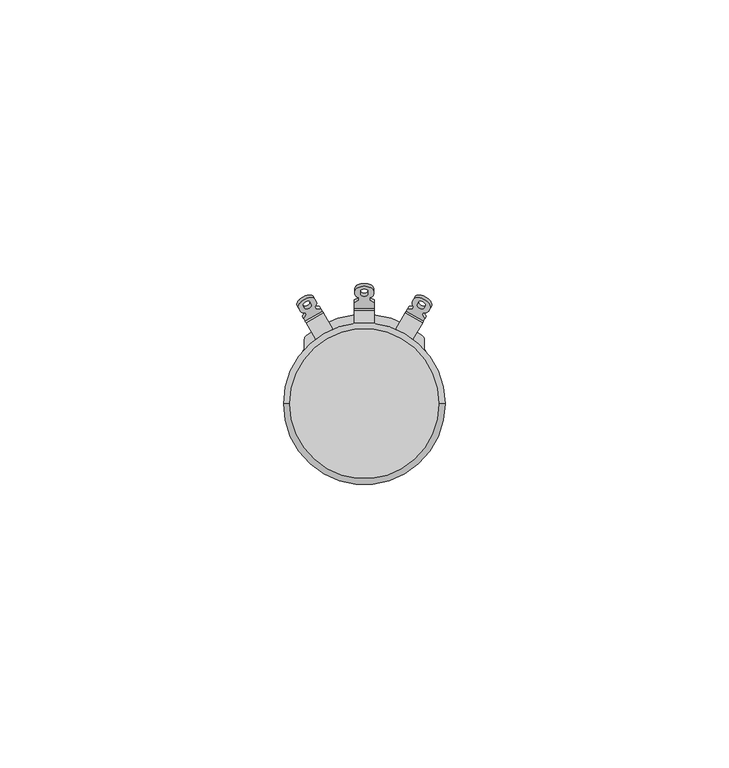
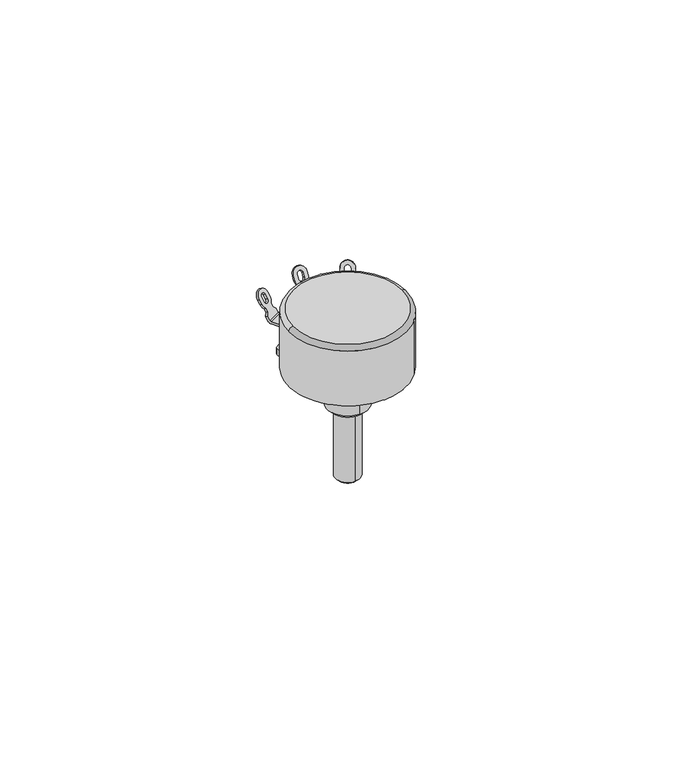
"""IFC4 building model written with IfcOpenShell, lengths in millimetres: proxy geometry."""

from ifc_helpers import new_model, si_unit, point, frame, origin, place, context, project, spatial, polyline, circle_curve, ellipse_curve, trimmed, source, transform, mapped, element, save
from ifc_brep_helpers import plane_surface, cylinder_surface, revolved_surface, advanced_brep


def generic_models_053cc2b0(model_context):
    return source(origin(), model_context, "Body", "AdvancedBrep", [
        advanced_brep(
        [(0.0, 4.95, -9.15), (0.0, 4.1, -10.0), (0.0, -4.1, -10.0), (0.0, -4.95, -9.15), (0.0, 4.95, -1.85), (0.0, -4.95, -1.85), (0.0, 4.1, -1.0), (0.0, -4.1, -1.0), (0.0, 4.1, 0.0), (0.0, -4.1, 0.0), (14.25, 0.0, 14.0), (13.25, 0.0, 15.0), (-13.25, 0.0, 15.0), (-14.25, 0.0, 14.0), (10.6, -9.523786, 14.0), (-10.6, 9.523786, 14.0), (-10.6, 9.523786, 1.5), (-10.8393443, 9.2504657, 1.5), (-10.8393443, 9.2504657, 0.0), (10.6, -9.523786, 0.0), (0.0, 3.0, -10.0), (0.0, 3.0, -27.5), (0.0, -3.0, -27.5), (0.0, -3.0, -10.0), (0.0, -2.5, -28.0), (0.0, 2.5, -28.0), (-10.4387495, 14.5804446, 6.7), (-7.4076606, 16.3304446, 6.7), (-7.6458612, 16.7430201, 7.5251511), (-8.4828803, 16.6927797, 8.1746702), (-8.7047702, 17.0771042, 8.9433193), (-8.4699638, 17.9704076, 10.0799261), (-8.7449638, 18.4467216, 11.032554), (-11.6028476, 16.7967216, 11.032554), (-11.3278476, 16.3204076, 10.0799261), (-10.436821, 16.0771042, 8.9433193), (-10.2149311, 15.6927797, 8.1746702), (-10.6769501, 14.9930201, 7.5251511), (-9.3359892, 17.4704076, 10.0799261), (-10.4618222, 16.8204076, 10.0799261), (-10.7368222, 17.2967216, 11.032554), (-9.6109892, 17.9467216, 11.032554), (-10.6985572, 15.0304446, 6.4), (-7.6674682, 16.7804446, 6.4), (-7.2344555, 16.0304446, 5.9), (-10.2655445, 14.2804446, 5.9), (-7.9056689, 17.1930201, 7.2251511), (-7.2344555, 16.0304446, 6.5), (-5.5555234, 13.1224487, 6.5), (-5.5555234, 13.1224487, 5.9), (-10.9367578, 15.4430201, 7.2251511), (-8.5866123, 11.3724487, 5.9), (-8.5866123, 11.3724487, 6.5), (-10.2655445, 14.2804446, 6.5), (7.4076606, 16.3304446, 6.7), (10.4387495, 14.5804446, 6.7), (10.6769501, 14.9930201, 7.5251511), (10.2149311, 15.6927797, 8.1746702), (10.436821, 16.0771042, 8.9433193), (11.3278476, 16.3204076, 10.0799261), (11.6028476, 16.7967216, 11.032554), (8.7449638, 18.4467216, 11.032554), (8.4699638, 17.9704076, 10.0799261), (8.7047702, 17.0771042, 8.9433193), (8.4828803, 16.6927797, 8.1746702), (7.6458612, 16.7430201, 7.5251511), (10.4618222, 16.8204076, 10.0799261), (9.3359892, 17.4704076, 10.0799261), (9.6109892, 17.9467216, 11.032554), (10.7368222, 17.2967216, 11.032554), (7.6674682, 16.7804446, 6.4), (10.6985572, 15.0304446, 6.4), (10.2655445, 14.2804446, 5.9), (7.2344555, 16.0304446, 5.9), (10.9367578, 15.4430201, 7.2251511), (10.2655445, 14.2804446, 6.5), (8.5866123, 11.3724487, 6.5), (8.5866123, 11.3724487, 5.9), (7.9056689, 17.1930201, 7.2251511), (5.5555234, 13.1224487, 5.9), (5.5555234, 13.1224487, 6.5), (7.2344555, 16.0304446, 6.5), (-1.75, 16.8464102, 6.7), (1.75, 16.8464102, 6.7), (1.75, 17.8228114, 8.3911765), (1.0, 18.1978114, 9.0406956), (1.0, 18.6415911, 9.8093447), (1.65, 19.2978114, 10.9459515), (1.65, 19.8478114, 11.8985794), (-1.65, 19.8478114, 11.8985794), (-1.65, 19.2978114, 10.9459515), (-1.0, 18.6415911, 9.8093447), (-1.0, 18.1978114, 9.0406956), (-1.75, 17.8228114, 8.3911765), (0.65, 19.2978114, 10.9459515), (-0.65, 19.2978114, 10.9459515), (-0.65, 19.8478114, 11.8985794), (0.65, 19.8478114, 11.8985794), (-1.75, 17.3660254, 6.4), (1.75, 17.3660254, 6.4), (1.75, 16.5, 5.9), (-1.75, 16.5, 5.9), (1.75, 18.3424266, 8.0911765), (1.75, 16.5, 6.5), (1.75, 14.1421356, 6.5), (1.75, 14.1421356, 5.9), (-1.75, 18.3424266, 8.0911765), (-1.75, 14.1421356, 5.9), (-1.75, 14.1421356, 6.5), (-1.75, 16.5, 6.5), (8.7426879, 17.1427797, 7.8746702), (8.9645778, 17.5271042, 8.6433193), (8.7297714, 18.4204076, 9.7799261), (9.0047714, 18.8967216, 10.732554), (11.8626552, 17.2467216, 10.732554), (11.5876552, 16.7704076, 9.7799261), (10.6966286, 16.5271042, 8.6433193), (10.4747387, 16.1427797, 7.8746702), (9.5957968, 17.9204076, 9.7799261), (10.7216298, 17.2704076, 9.7799261), (10.9966298, 17.7467216, 10.732554), (9.8707968, 18.3967216, 10.732554), (-10.4747387, 16.1427797, 7.8746702), (-10.6966286, 16.5271042, 8.6433193), (-11.5876552, 16.7704076, 9.7799261), (-11.8626552, 17.2467216, 10.732554), (-9.0047714, 18.8967216, 10.732554), (-8.7297714, 18.4204076, 9.7799261), (-8.9645778, 17.5271042, 8.6433193), (-8.7426879, 17.1427797, 7.8746702), (-10.7216298, 17.2704076, 9.7799261), (-9.5957968, 17.9204076, 9.7799261), (-9.8707968, 18.3967216, 10.732554), (-10.9966298, 17.7467216, 10.732554), (-1.0, 18.7174266, 8.7406956), (-1.0, 19.1612064, 9.5093447), (-1.65, 19.8174266, 10.6459515), (-1.65, 20.3674266, 11.5985794), (1.65, 20.3674266, 11.5985794), (1.65, 19.8174266, 10.6459515), (1.0, 19.1612064, 9.5093447), (1.0, 18.7174266, 8.7406956), (-0.65, 19.8174266, 10.6459515), (0.65, 19.8174266, 10.6459515), (0.65, 20.3674266, 11.5985794), (-0.65, 20.3674266, 11.5985794), (-10.6, 9.8996212, 1.5), (-10.6, 9.8996212, 0.0), (-10.6, 11.1983258, 1.5), (-10.6, 11.1983258, 0.0), (10.6, 9.8996212, 1.5), (10.8393443, 9.2504657, 1.5), (10.8393443, 9.2504657, 0.0), (10.6, 9.8996212, 0.0), (10.6, 11.1983258, 0.0), (10.2508475, 11.9575343, 0.0), (10.2508475, 11.9575343, 1.5), (10.6, 11.1983258, 1.5), (-10.2508475, 11.9575343, 1.5), (-10.2508475, 11.9575343, 0.0)],
        [
            (0, 1),
            (1, 2, circle_curve(frame((0.0, 0.0, -10.0), z_axis=(0.0, 0.0, 1.0), x_axis=(0.0, -1.0, 0.0)), 4.1)),
            (2, 3),
            (3, 0, circle_curve(frame((0.0, 0.0, -9.15), z_axis=(0.0, 0.0, -1.0), x_axis=(0.0, -1.0, 0.0)), 4.95)),
            (4, 0),
            (3, 5),
            (5, 4, circle_curve(frame((0.0, 0.0, -1.85), z_axis=(0.0, 0.0, -1.0), x_axis=(0.0, 1.0, 0.0)), 4.95)),
            (6, 4),
            (5, 7),
            (7, 6, circle_curve(frame((0.0, 0.0, -1.0), z_axis=(0.0, 0.0, -1.0), x_axis=(0.0, -1.0, 0.0)), 4.1)),
            (8, 6),
            (7, 9),
            (9, 8, circle_curve(frame((0.0, 0.0, 0.0), z_axis=(0.0, 0.0, -1.0), x_axis=(0.0, 1.0, 0.0)), 4.1)),
            (10, 11, circle_curve(frame((13.25, 0.0, 14.0), z_axis=(0.0, -1.0, 0.0), x_axis=(1.0, 0.0, 0.0)), 1.0)),
            (11, 12, circle_curve(frame((0.0, 0.0, 15.0), z_axis=(0.0, 0.0, -1.0), x_axis=(-1.0, 0.0, 0.0)), 13.25)),
            (12, 13, circle_curve(frame((-13.25, 0.0, 14.0), z_axis=(0.0, -1.0, 0.0), x_axis=(-1.0, 0.0, 0.0)), 1.0)),
            (13, 14, circle_curve(frame((0.0, 0.0, 14.0), z_axis=(0.0, 0.0, 1.0), x_axis=(-1.0, 0.0, 0.0)), 14.25)),
            (14, 10, circle_curve(frame((0.0, 0.0, 14.0), z_axis=(0.0, 0.0, 1.0), x_axis=(-1.0, 0.0, 0.0)), 14.25)),
            (15, 16),
            (16, 17, circle_curve(frame((0.0, 0.0, 1.5), z_axis=(0.0, 0.0, 1.0), x_axis=(-0.7438596491228071, 0.6683358604825079, 0.0)), 14.25)),
            (17, 18),
            (18, 19, circle_curve(frame((0.0, 0.0, 0.0), z_axis=(0.0, 0.0, 1.0), x_axis=(-0.7438596491228071, 0.6683358604825079, 0.0)), 14.25)),
            (19, 14),
            (13, 15, circle_curve(frame((0.0, 0.0, 14.0), z_axis=(0.0, 0.0, -1.0), x_axis=(-0.7438596491228071, 0.6683358604825079, 0.0)), 14.25)),
            (20, 21),
            (21, 22, circle_curve(frame((0.0, 0.0, -27.5), z_axis=(0.0, 0.0, 1.0), x_axis=(0.0, 1.0, 0.0)), 3.0)),
            (22, 23),
            (23, 20, circle_curve(frame((0.0, 0.0, -10.0), z_axis=(0.0, 0.0, -1.0), x_axis=(0.0, 1.0, 0.0)), 3.0)),
            (22, 24),
            (24, 25, circle_curve(frame((0.0, 0.0, -28.0), z_axis=(0.0, 0.0, 1.0), x_axis=(0.0, 1.0, 0.0)), 2.5)),
            (25, 21),
            (21, 22, circle_curve(frame((0.0, 0.0, -27.5), z_axis=(0.0, 0.0, -1.0), x_axis=(0.0, 1.0, 0.0)), 3.0)),
            (25, 24, circle_curve(frame((0.0, 0.0, -28.0), z_axis=(0.0, 0.0, 1.0), x_axis=(0.0, -1.0, 0.0)), 2.5)),
            (20, 23, circle_curve(frame((0.0, 0.0, -10.0), z_axis=(0.0, 0.0, -1.0), x_axis=(0.0, 1.0, 0.0)), 3.0)),
            (26, 27),
            (27, 28),
            (28, 29),
            (29, 30),
            (30, 31, circle_curve(frame((-9.8989057, 17.1454076, 10.0799261), z_axis=(0.43301270189221847, -0.7499999999999997, 0.5000000000000012), x_axis=(0.8660254037844388, 0.49999999999999967, 0.0)), 1.65)),
            (31, 32),
            (32, 33, circle_curve(frame((-10.1739057, 17.6217216, 11.032554), z_axis=(0.43301270189221847, -0.7499999999999997, 0.5000000000000012), x_axis=(-0.8660254037844388, -0.49999999999999967, 0.0)), 1.65)),
            (33, 34),
            (34, 35, circle_curve(frame((-9.8989057, 17.1454076, 10.0799261), z_axis=(0.4330127018922186, -0.7499999999999997, 0.5000000000000012), x_axis=(-0.3260092636813756, -0.6474566036869491, -0.6888526013132913)), 1.65)),
            (35, 36),
            (36, 37),
            (37, 26),
            (38, 39, circle_curve(frame((-9.8989057, 17.1454076, 10.0799261), z_axis=(-0.4330127018922186, 0.7499999999999997, -0.5000000000000012), x_axis=(0.8660254037844388, 0.4999999999999997, 0.0)), 0.65)),
            (39, 40),
            (40, 41, circle_curve(frame((-10.1739057, 17.6217216, 11.032554), z_axis=(-0.4330127018922186, 0.7499999999999997, -0.5000000000000012), x_axis=(-0.8660254037844388, -0.4999999999999997, 0.0)), 0.65)),
            (41, 38),
            (42, 43),
            (43, 44, circle_curve(frame((-7.2344555, 16.0304446, 6.9), z_axis=(-0.866025403784439, -0.4999999999999995, 0.0), x_axis=(0.0, 0.0, -1.0)), 1.0)),
            (44, 45),
            (45, 42, circle_curve(frame((-10.2655445, 14.2804446, 6.9), z_axis=(0.866025403784439, 0.4999999999999995, 0.0), x_axis=(0.0, 0.0, -1.0)), 1.0)),
            (43, 46),
            (46, 28),
            (27, 47, circle_curve(frame((-7.2344555, 16.0304446, 6.9), z_axis=(-0.866025403784439, -0.4999999999999995, 0.0), x_axis=(0.0, 0.0, -1.0)), 0.4)),
            (47, 48),
            (48, 49),
            (49, 44),
            (37, 50),
            (50, 42),
            (45, 51),
            (51, 52),
            (52, 53),
            (53, 26, circle_curve(frame((-10.2655445, 14.2804446, 6.9), z_axis=(0.866025403784439, 0.4999999999999995, 0.0), x_axis=(0.0, 0.0, -1.0)), 0.4)),
            (49, 51, circle_curve(frame((0.0, 0.0, 5.9), z_axis=(0.0, 0.0, 1.0), x_axis=(-0.7438596491228071, 0.6683358604825079, 0.0)), 14.25)),
            (53, 47),
            (54, 55),
            (55, 56),
            (56, 57),
            (57, 58),
            (58, 59, circle_curve(frame((9.8989057, 17.1454076, 10.0799261), z_axis=(-0.43301270189221897, -0.7499999999999996, 0.5000000000000011), x_axis=(0.8660254037844387, -0.5, 0.0)), 1.65)),
            (59, 60),
            (60, 61, circle_curve(frame((10.1739057, 17.6217216, 11.032554), z_axis=(-0.43301270189221897, -0.7499999999999996, 0.5000000000000011), x_axis=(-0.8660254037844387, 0.5, 0.0)), 1.65)),
            (61, 62),
            (62, 63, circle_curve(frame((9.8989057, 17.1454076, 10.0799261), z_axis=(-0.43301270189221897, -0.7499999999999994, 0.5000000000000011), x_axis=(-0.7237184984815795, -0.0413959976263437, -0.688852601313291)), 1.65)),
            (63, 64),
            (64, 65),
            (65, 54),
            (66, 67, circle_curve(frame((9.8989057, 17.1454076, 10.0799261), z_axis=(0.4330127018922191, 0.7499999999999993, -0.5000000000000012), x_axis=(0.8660254037844385, -0.5, 0.0)), 0.65)),
            (67, 68),
            (68, 69, circle_curve(frame((10.1739057, 17.6217216, 11.032554), z_axis=(0.4330127018922191, 0.7499999999999993, -0.5000000000000012), x_axis=(-0.8660254037844385, 0.5, 0.0)), 0.65)),
            (69, 66),
            (70, 71),
            (71, 72, circle_curve(frame((10.2655445, 14.2804446, 6.9), z_axis=(-0.8660254037844387, 0.5, 0.0), x_axis=(0.0, 0.0, -1.0)), 1.0)),
            (72, 73),
            (73, 70, circle_curve(frame((7.2344555, 16.0304446, 6.9), z_axis=(0.8660254037844387, -0.5, 0.0), x_axis=(0.0, 0.0, -1.0)), 1.0)),
            (71, 74),
            (74, 56),
            (55, 75, circle_curve(frame((10.2655445, 14.2804446, 6.9), z_axis=(-0.8660254037844387, 0.5, 0.0), x_axis=(0.0, 0.0, -1.0)), 0.4)),
            (75, 76),
            (76, 77),
            (77, 72),
            (65, 78),
            (78, 70),
            (73, 79),
            (79, 80),
            (80, 81),
            (81, 54, circle_curve(frame((7.2344555, 16.0304446, 6.9), z_axis=(0.8660254037844387, -0.5, 0.0), x_axis=(0.0, 0.0, -1.0)), 0.4)),
            (77, 79, circle_curve(frame((0.0, 0.0, 5.9), z_axis=(0.0, 0.0, 1.0), x_axis=(-0.7438596491228071, 0.6683358604825079, 0.0)), 14.25)),
            (81, 75),
            (82, 83),
            (83, 84),
            (84, 85),
            (85, 86),
            (86, 87, circle_curve(frame((0.0, 19.2978114, 10.9459515), z_axis=(0.0, -0.866025403784438, 0.5000000000000011), x_axis=(1.0, 0.0, 0.0)), 1.65)),
            (87, 88),
            (88, 89, circle_curve(frame((0.0, 19.8478114, 11.8985794), z_axis=(0.0, -0.866025403784438, 0.5000000000000011), x_axis=(-1.0, 0.0, 0.0)), 1.65)),
            (89, 90),
            (90, 91, circle_curve(frame((0.0, 19.2978114, 10.9459515), z_axis=(0.0, -0.8660254037844382, 0.5000000000000011), x_axis=(-0.6060606060606055, -0.39770923480020365, -0.6888526013132911)), 1.65)),
            (91, 92),
            (92, 93),
            (93, 82),
            (94, 95, circle_curve(frame((0.0, 19.2978114, 10.9459515), z_axis=(0.0, 0.866025403784438, -0.5000000000000011), x_axis=(1.0, 0.0, 0.0)), 0.65)),
            (95, 96),
            (96, 97, circle_curve(frame((0.0, 19.8478114, 11.8985794), z_axis=(0.0, 0.866025403784438, -0.5000000000000011), x_axis=(-1.0, 0.0, 0.0)), 0.65)),
            (97, 94),
            (98, 99),
            (99, 100, circle_curve(frame((1.75, 16.5, 6.9), z_axis=(-1.0, 0.0, 0.0), x_axis=(0.0, 0.0, -1.0)), 1.0)),
            (100, 101),
            (101, 98, circle_curve(frame((-1.75, 16.5, 6.9), z_axis=(1.0, 0.0, 0.0), x_axis=(0.0, 0.0, -1.0)), 1.0)),
            (99, 102),
            (102, 84),
            (83, 103, circle_curve(frame((1.75, 16.5, 6.9), z_axis=(-1.0, 0.0, 0.0), x_axis=(0.0, 0.0, -1.0)), 0.4)),
            (103, 104),
            (104, 105),
            (105, 100),
            (93, 106),
            (106, 98),
            (101, 107),
            (107, 108),
            (108, 109),
            (109, 82, circle_curve(frame((-1.75, 16.5, 6.9), z_axis=(1.0, 0.0, 0.0), x_axis=(0.0, 0.0, -1.0)), 0.4)),
            (105, 107, circle_curve(frame((0.0, 0.0, 5.9), z_axis=(0.0, 0.0, 1.0), x_axis=(-0.7438596491228071, 0.6683358604825079, 0.0)), 14.25)),
            (109, 103),
            (78, 110),
            (110, 111),
            (111, 112, circle_curve(frame((10.1587133, 17.5954076, 9.7799261), z_axis=(0.43301270189221897, 0.7499999999999994, -0.5000000000000011), x_axis=(-0.7237184984815795, -0.0413959976263437, -0.688852601313291)), 1.65)),
            (112, 113),
            (113, 114, circle_curve(frame((10.4337133, 18.0717216, 10.732554), z_axis=(0.43301270189221897, 0.7499999999999996, -0.5000000000000011), x_axis=(-0.8660254037844387, 0.5, 0.0)), 1.65)),
            (114, 115),
            (115, 116, circle_curve(frame((10.1587133, 17.5954076, 9.7799261), z_axis=(0.43301270189221897, 0.7499999999999996, -0.5000000000000011), x_axis=(0.8660254037844387, -0.5, 0.0)), 1.65)),
            (116, 117),
            (117, 74),
            (118, 119, circle_curve(frame((10.1587133, 17.5954076, 9.7799261), z_axis=(-0.4330127018922191, -0.7499999999999993, 0.5000000000000012), x_axis=(0.8660254037844385, -0.5, 0.0)), 0.65)),
            (119, 120),
            (120, 121, circle_curve(frame((10.4337133, 18.0717216, 10.732554), z_axis=(-0.4330127018922191, -0.7499999999999993, 0.5000000000000012), x_axis=(-0.8660254037844385, 0.5, 0.0)), 0.65)),
            (121, 118),
            (66, 119),
            (118, 67),
            (69, 120),
            (68, 121),
            (117, 57),
            (116, 58),
            (115, 59),
            (114, 60),
            (113, 61),
            (112, 62),
            (111, 63),
            (110, 64),
            (80, 76, circle_curve(frame((0.0, 0.0, 6.5), z_axis=(0.0, 0.0, -1.0), x_axis=(-0.7438596491228071, 0.6683358604825079, 0.0)), 14.25)),
            (50, 122),
            (122, 123),
            (123, 124, circle_curve(frame((-10.1587133, 17.5954076, 9.7799261), z_axis=(-0.4330127018922186, 0.7499999999999997, -0.5000000000000012), x_axis=(-0.3260092636813756, -0.6474566036869491, -0.6888526013132913)), 1.65)),
            (124, 125),
            (125, 126, circle_curve(frame((-10.4337133, 18.0717216, 10.732554), z_axis=(-0.43301270189221847, 0.7499999999999997, -0.5000000000000012), x_axis=(-0.8660254037844388, -0.49999999999999967, 0.0)), 1.65)),
            (126, 127),
            (127, 128, circle_curve(frame((-10.1587133, 17.5954076, 9.7799261), z_axis=(-0.43301270189221847, 0.7499999999999997, -0.5000000000000012), x_axis=(0.8660254037844388, 0.49999999999999967, 0.0)), 1.65)),
            (128, 129),
            (129, 46),
            (130, 131, circle_curve(frame((-10.1587133, 17.5954076, 9.7799261), z_axis=(0.4330127018922186, -0.7499999999999997, 0.5000000000000012), x_axis=(0.8660254037844388, 0.4999999999999997, 0.0)), 0.65)),
            (131, 132),
            (132, 133, circle_curve(frame((-10.4337133, 18.0717216, 10.732554), z_axis=(0.4330127018922186, -0.7499999999999997, 0.5000000000000012), x_axis=(-0.8660254037844388, -0.4999999999999997, 0.0)), 0.65)),
            (133, 130),
            (38, 131),
            (130, 39),
            (41, 132),
            (40, 133),
            (129, 29),
            (128, 30),
            (127, 31),
            (126, 32),
            (125, 33),
            (124, 34),
            (123, 35),
            (122, 36),
            (52, 48, circle_curve(frame((0.0, 0.0, 6.5), z_axis=(0.0, 0.0, -1.0), x_axis=(-0.7438596491228071, 0.6683358604825079, 0.0)), 14.25)),
            (106, 134),
            (134, 135),
            (135, 136, circle_curve(frame((0.0, 19.8174266, 10.6459515), z_axis=(0.0, 0.8660254037844382, -0.5000000000000011), x_axis=(-0.6060606060606055, -0.39770923480020365, -0.6888526013132911)), 1.65)),
            (136, 137),
            (137, 138, circle_curve(frame((0.0, 20.3674266, 11.5985794), z_axis=(0.0, 0.866025403784438, -0.5000000000000011), x_axis=(-1.0, 0.0, 0.0)), 1.65)),
            (138, 139),
            (139, 140, circle_curve(frame((0.0, 19.8174266, 10.6459515), z_axis=(0.0, 0.866025403784438, -0.5000000000000011), x_axis=(1.0, 0.0, 0.0)), 1.65)),
            (140, 141),
            (141, 102),
            (142, 143, circle_curve(frame((0.0, 19.8174266, 10.6459515), z_axis=(0.0, -0.866025403784438, 0.5000000000000011), x_axis=(1.0, 0.0, 0.0)), 0.65)),
            (143, 144),
            (144, 145, circle_curve(frame((0.0, 20.3674266, 11.5985794), z_axis=(0.0, -0.866025403784438, 0.5000000000000011), x_axis=(-1.0, 0.0, 0.0)), 0.65)),
            (145, 142),
            (94, 143),
            (142, 95),
            (97, 144),
            (96, 145),
            (141, 85),
            (140, 86),
            (139, 87),
            (138, 88),
            (137, 89),
            (136, 90),
            (135, 91),
            (134, 92),
            (108, 104, circle_curve(frame((0.0, 0.0, 6.5), z_axis=(0.0, 0.0, -1.0), x_axis=(-0.7438596491228071, 0.6683358604825079, 0.0)), 14.25)),
            (17, 146, circle_curve(frame((-11.6, 9.8996212, 1.5), z_axis=(0.0, 0.0, 1.0), x_axis=(0.9382578903758068, -0.34593659989590686, 0.0)), 1.0)),
            (146, 147),
            (147, 18, circle_curve(frame((-11.6, 9.8996212, 0.0), z_axis=(0.0, 0.0, -1.0), x_axis=(0.9382578903758068, -0.34593659989590686, 0.0)), 1.0)),
            (146, 148),
            (148, 149),
            (149, 147),
            (150, 151, circle_curve(frame((11.6, 9.8996212, 1.5), z_axis=(0.0, 0.0, 1.0), x_axis=(-0.9382578903758068, -0.34593659989590686, 0.0)), 1.0)),
            (151, 152),
            (152, 153, circle_curve(frame((11.6, 9.8996212, 0.0), z_axis=(0.0, 0.0, -1.0), x_axis=(-0.9382578903758068, -0.34593659989590686, 0.0)), 1.0)),
            (153, 150),
            (15, 10, circle_curve(frame((0.0, 0.0, 14.0), z_axis=(0.0, 0.0, -1.0), x_axis=(-0.7438596491228071, 0.6683358604825079, 0.0)), 14.25)),
            (19, 152, circle_curve(frame((0.0, 0.0, 0.0), z_axis=(0.0, 0.0, 1.0), x_axis=(-0.7438596491228071, 0.6683358604825079, 0.0)), 14.25)),
            (151, 16, circle_curve(frame((0.0, 0.0, 1.5), z_axis=(0.0, 0.0, 1.0), x_axis=(-0.7438596491228071, 0.6683358604825079, 0.0)), 14.25)),
            (154, 155, circle_curve(frame((9.6, 11.1983258, 0.0), z_axis=(0.0, 0.0, 1.0), x_axis=(0.9085283313213511, 0.4178232535252692, 0.0)), 1.0)),
            (155, 156),
            (156, 157, circle_curve(frame((9.6, 11.1983258, 1.5), z_axis=(0.0, 0.0, -1.0), x_axis=(0.9085283313213511, 0.4178232535252692, 0.0)), 1.0)),
            (157, 154),
            (153, 154),
            (157, 150),
            (156, 158, circle_curve(frame((0.0, 0.0, 1.5), z_axis=(0.0, 0.0, 1.0), x_axis=(0.6730158730158731, 0.7396280380493172, 0.0)), 15.75)),
            (158, 148, circle_curve(frame((-9.6, 11.1983258, 1.5), z_axis=(0.0, 0.0, 1.0), x_axis=(-0.9085283313213518, 0.41782325352526767, 0.0)), 1.0)),
            (159, 149, circle_curve(frame((-9.6, 11.1983258, 0.0), z_axis=(0.0, 0.0, 1.0), x_axis=(-0.9085283313213518, 0.41782325352526767, 0.0)), 1.0)),
            (158, 159),
            (12, 11, circle_curve(frame((0.0, 0.0, 15.0), z_axis=(0.0, 0.0, -1.0), x_axis=(1.0, 0.0, 0.0)), 13.25)),
            (155, 159, circle_curve(frame((0.0, 0.0, 0.0), z_axis=(0.0, 0.0, 1.0), x_axis=(0.6730158730158731, 0.7396280380493172, 0.0)), 15.75)),
            (8, 9, circle_curve(frame((0.0, 0.0, 0.0), z_axis=(0.0, 0.0, -1.0), x_axis=(0.0, 1.0, 0.0)), 4.1)),
            (7, 6, circle_curve(frame((0.0, 0.0, -1.0), z_axis=(0.0, 0.0, 1.0), x_axis=(0.0, 1.0, 0.0)), 4.1)),
            (5, 4, circle_curve(frame((0.0, 0.0, -1.85), z_axis=(0.0, 0.0, 1.0), x_axis=(0.0, 1.0, 0.0)), 4.95)),
            (3, 0, circle_curve(frame((0.0, 0.0, -9.15), z_axis=(0.0, 0.0, 1.0), x_axis=(0.0, 1.0, 0.0)), 4.95)),
            (2, 1, circle_curve(frame((0.0, 0.0, -10.0), z_axis=(0.0, 0.0, 1.0), x_axis=(0.0, 1.0, 0.0)), 4.1)),
        ],
        [
            revolved_surface(polyline([(0.0, 4.1000000000000005, -10.0), (0.0, 4.95, -9.15)]), (0.0, 0.0, -14.1), (0.0, 0.0, 1.0)),
            cylinder_surface(frame((0.0, 0.0, -5.5), z_axis=(0.0, 0.0, -1.0), x_axis=(0.0, 1.0, 0.0)), 4.95),
            revolved_surface(polyline([(0.0, 4.1, -0.9999999999999996), (0.0, 4.95, -1.85)]), (0.0, 0.0, 3.1), (0.0, 0.0, -1.0)),
            cylinder_surface(frame((0.0, 0.0, -0.5), z_axis=(0.0, 0.0, -1.0), x_axis=(0.0, 1.0, 0.0)), 4.1),
            revolved_surface(trimmed(ellipse_curve(frame((-13.25, 0.0, 14.0), z_axis=(0.0, 1.0, 0.0), x_axis=(-1.0, 0.0, 0.0)), 1.0, 1.0), [point((-14.25, 0.0, 14.0))], [point((-13.25, 0.0, 15.0))], True, "CARTESIAN"), (0.0, 0.0, 14.0), (0.0, 0.0, 1.0)),
            cylinder_surface(frame((0.0, 0.0, 1.5), z_axis=(0.0, 0.0, -1.0), x_axis=(-0.7438596491228071, 0.6683358604825079, 0.0)), 14.25),
            cylinder_surface(frame((0.0, 0.0, -19.0), z_axis=(0.0, 0.0, -1.0), x_axis=(0.0, 1.0, 0.0)), 3.0),
            revolved_surface(polyline([(0.0, -2.5, -28.0), (0.0, -3.0, -27.5)]), (0.0, 0.0, -30.5), (0.0, 0.0, 1.0)),
            plane_surface(frame((0.0, 0.0, -28.0), z_axis=(0.0, 0.0, -1.0), x_axis=(-1.0, 0.0, 0.0))),
            plane_surface(frame((-8.9054146, 15.4246305, 6.6383718), z_axis=(0.43301270189221863, -0.7499999999999997, 0.5000000000000013), x_axis=(0.8660254037844388, 0.4999999999999998, 0.0))),
            cylinder_surface(frame((-8.75, 15.1554446, 6.9), z_axis=(0.866025403784439, 0.4999999999999995, 0.0), x_axis=(0.0, 0.0, -1.0)), 1.0),
            plane_surface(frame((-7.6458612, 16.7430201, 7.5251511), z_axis=(0.8660254037844388, 0.4999999999999998, 0.0), x_axis=(0.2500000000000008, -0.43301270189222024, -0.866025403784438))),
            plane_surface(frame((-9.0519501, 12.1784376, 1.895986), z_axis=(-0.8660254037844388, -0.4999999999999998, 0.0), x_axis=(-0.2500000000000008, 0.43301270189222024, 0.866025403784438))),
            plane_surface(frame((-9.2380177, 16.0007161, 5.9), z_axis=(0.0, 0.0, -1.0), x_axis=(0.8660254037844387, 0.4999999999999999, 0.0))),
            revolved_surface(polyline([(-7.234455510844308, 16.03044461878289, 6.5), (-10.265544489155694, 14.280444581217107, 6.5)]), (-8.75, 15.1554446, 6.9), (0.866025403784439, 0.4999999999999995, 0.0)),
            plane_surface(frame((8.9054146, 15.4246305, 6.6383718), z_axis=(-0.43301270189221913, -0.7499999999999996, 0.5000000000000013), x_axis=(0.8660254037844387, -0.5000000000000001, 0.0))),
            cylinder_surface(frame((8.75, 15.1554446, 6.9), z_axis=(0.8660254037844387, -0.5, 0.0), x_axis=(0.0, 0.0, -1.0)), 1.0),
            plane_surface(frame((10.6769501, 14.9930201, 7.5251511), z_axis=(0.8660254037844386, -0.5, 0.0), x_axis=(-0.2500000000000006, -0.4330127018922204, -0.8660254037844379))),
            plane_surface(frame((6.0208612, 13.9284376, 1.895986), z_axis=(-0.8660254037844386, 0.5, 0.0), x_axis=(0.2500000000000006, 0.4330127018922204, 0.8660254037844379))),
            plane_surface(frame((9.2380177, 16.0007161, 5.9), z_axis=(0.0, 0.0, -1.0), x_axis=(0.8660254037844387, -0.5, 0.0))),
            revolved_surface(polyline([(10.265544489155692, 14.280444581217106, 6.5), (7.234455510844308, 16.03044461878289, 6.5)]), (8.75, 15.1554446, 6.9), (0.8660254037844387, -0.5, 0.0)),
            plane_surface(frame((0.0, 17.3108291, 7.5043973), z_axis=(0.0, -0.866025403784438, 0.5000000000000011), x_axis=(1.0, 0.0, 0.0))),
            cylinder_surface(frame((0.0, 16.5, 6.9), z_axis=(1.0, 0.0, 0.0), x_axis=(0.0, 0.0, -1.0)), 1.0),
            plane_surface(frame((1.75, 17.8228114, 8.3911765), z_axis=(1.0, 0.0, 0.0), x_axis=(0.0, -0.5000000000000011, -0.866025403784438))),
            plane_surface(frame((-1.75, 14.5728114, 2.7620114), z_axis=(-1.0, 0.0, 0.0), x_axis=(0.0, 0.5000000000000011, 0.866025403784438))),
            plane_surface(frame((0.0, 18.4760355, 5.9), z_axis=(0.0, 0.0, -1.0), x_axis=(1.0, 0.0, 0.0))),
            revolved_surface(polyline([(1.75, 16.5, 6.5), (-1.75, 16.5, 6.5)]), (0.0, 16.5, 6.9), (1.0, 0.0, 0.0)),
            plane_surface(frame((9.1652222, 15.8746305, 6.3383718), z_axis=(0.43301270189221913, 0.7499999999999996, -0.5000000000000013), x_axis=(0.8660254037844387, -0.5000000000000001, 0.0))),
            revolved_surface(polyline([(10.72162983196857, 17.270407597182565, 9.779926101878289), (10.461822210123657, 16.820407595953533, 10.079926102697645)]), (9.8989057, 17.1454076, 10.0799261), (0.43301270189221897, 0.7499999999999992, -0.5000000000000011)),
            plane_surface(frame((10.7368222, 17.2967216, 11.032554), z_axis=(-0.8660254037844387, 0.5000000000000002, 0.0), x_axis=(-0.2500000000000008, -0.4330127018922203, -0.866025403784438))),
            revolved_surface(polyline([(9.8707968070488, 18.396721597182566, 10.732554001878288), (9.610989185203886, 17.946721595953534, 11.032554002697644)]), (10.1739057, 17.6217216, 11.032554), (0.43301270189221897, 0.7499999999999992, -0.5000000000000011)),
            plane_surface(frame((9.3359892, 17.4704076, 10.0799261), z_axis=(0.8660254037844387, -0.5000000000000002, 0.0), x_axis=(0.2500000000000009, 0.4330127018922203, 0.866025403784438))),
            plane_surface(frame((10.2149311, 15.6927797, 8.1746702), z_axis=(0.7891491309924323, -0.04736717274537644, 0.6123724356957935), x_axis=(0.43559574039915644, -0.6597396084411717, -0.6123724356957947))),
            plane_surface(frame((10.436821, 16.0771042, 8.9433193), z_axis=(0.8660254037844386, -0.5000000000000002, 0.0), x_axis=(-0.2500000000000009, -0.4330127018922202, -0.8660254037844379))),
            cylinder_surface(frame((9.8989057, 17.1454076, 10.0799261), z_axis=(0.4330127018922191, 0.7499999999999997, -0.5000000000000012), x_axis=(0.8660254037844387, -0.5, 0.0)), 1.65),
            plane_surface(frame((11.6028476, 16.7967216, 11.032554), z_axis=(0.8660254037844386, -0.5, 0.0), x_axis=(-0.2500000000000006, -0.4330127018922204, -0.8660254037844379))),
            cylinder_surface(frame((10.1739057, 17.6217216, 11.032554), z_axis=(0.4330127018922191, 0.7499999999999997, -0.5000000000000012), x_axis=(-0.8660254037844387, 0.5, 0.0)), 1.65),
            plane_surface(frame((8.4699638, 17.9704076, 10.0799261), z_axis=(-0.8660254037844387, 0.5000000000000002, 0.0), x_axis=(0.2500000000000009, 0.4330127018922203, 0.866025403784438))),
            cylinder_surface(frame((9.8989057, 17.1454076, 10.0799261), z_axis=(0.4330127018922191, 0.7499999999999996, -0.5000000000000012), x_axis=(-0.7237184984815795, -0.0413959976263437, -0.688852601313291)), 1.65),
            plane_surface(frame((8.4828803, 16.6927797, 8.1746702), z_axis=(-0.8660254037844388, 0.5, 0.0), x_axis=(0.25000000000000033, 0.4330127018922205, 0.866025403784438))),
            plane_surface(frame((7.6458612, 16.7430201, 7.5251511), z_axis=(-0.43559574039915805, 0.6597396084411721, 0.6123724356957934), x_axis=(0.7891491309924313, -0.04736717274537516, 0.6123724356957948))),
            plane_surface(frame((9.2380177, 16.0007161, 6.5), z_axis=(0.0, 0.0, 1.0), x_axis=(0.8660254037844387, -0.5, 0.0))),
            plane_surface(frame((-9.1652222, 15.8746305, 6.3383718), z_axis=(-0.43301270189221863, 0.7499999999999997, -0.5000000000000013), x_axis=(0.8660254037844388, 0.4999999999999998, 0.0))),
            revolved_surface(polyline([(-9.5957968070488, 17.920407597182564, 9.779926101878287), (-9.335989185203886, 17.47040759595353, 10.079926102697645)]), (-9.8989057, 17.1454076, 10.0799261), (-0.4330127018922186, 0.7499999999999997, -0.5000000000000012)),
            plane_surface(frame((-9.6109892, 17.9467216, 11.032554), z_axis=(-0.8660254037844389, -0.49999999999999967, 0.0), x_axis=(0.2500000000000006, -0.43301270189222035, -0.8660254037844379))),
            revolved_surface(polyline([(-10.996629831968571, 17.746721597182567, 10.732554001878288), (-10.736822210123657, 17.296721595953535, 11.032554002697644)]), (-10.1739057, 17.6217216, 11.032554), (-0.4330127018922186, 0.7499999999999997, -0.5000000000000012)),
            plane_surface(frame((-10.4618222, 16.8204076, 10.0799261), z_axis=(0.8660254037844389, 0.49999999999999967, 0.0), x_axis=(-0.2500000000000006, 0.4330127018922204, 0.866025403784438))),
            plane_surface(frame((-8.4828803, 16.6927797, 8.1746702), z_axis=(0.43559574039915805, 0.6597396084411715, 0.6123724356957938), x_axis=(0.7891491309924317, 0.047367172745375025, -0.6123724356957944))),
            plane_surface(frame((-8.7047702, 17.0771042, 8.9433193), z_axis=(0.866025403784439, 0.49999999999999967, 0.0), x_axis=(0.25000000000000056, -0.4330127018922204, -0.866025403784438))),
            cylinder_surface(frame((-9.8989057, 17.1454076, 10.0799261), z_axis=(-0.43301270189221847, 0.7499999999999997, -0.5000000000000012), x_axis=(0.8660254037844388, 0.49999999999999967, 0.0)), 1.65),
            plane_surface(frame((-8.7449638, 18.4467216, 11.032554), z_axis=(0.8660254037844388, 0.4999999999999998, 0.0), x_axis=(0.2500000000000008, -0.43301270189222024, -0.866025403784438))),
            cylinder_surface(frame((-10.1739057, 17.6217216, 11.032554), z_axis=(-0.43301270189221847, 0.7499999999999997, -0.5000000000000012), x_axis=(-0.8660254037844388, -0.49999999999999967, 0.0)), 1.65),
            plane_surface(frame((-11.3278476, 16.3204076, 10.0799261), z_axis=(-0.8660254037844389, -0.49999999999999967, 0.0), x_axis=(-0.2500000000000006, 0.4330127018922204, 0.866025403784438))),
            cylinder_surface(frame((-9.8989057, 17.1454076, 10.0799261), z_axis=(-0.4330127018922186, 0.7499999999999997, -0.5000000000000012), x_axis=(-0.3260092636813756, -0.6474566036869491, -0.6888526013132913)), 1.65),
            plane_surface(frame((-10.2149311, 15.6927797, 8.1746702), z_axis=(-0.8660254037844388, -0.49999999999999994, 0.0), x_axis=(-0.2500000000000011, 0.43301270189222, 0.866025403784438))),
            plane_surface(frame((-10.6769501, 14.9930201, 7.5251511), z_axis=(-0.7891491309924326, -0.04736717274537636, 0.612372435695793), x_axis=(0.4355957403991564, 0.6597396084411714, 0.612372435695795))),
            plane_surface(frame((-9.2380177, 16.0007161, 6.5), z_axis=(0.0, 0.0, 1.0), x_axis=(0.8660254037844387, 0.4999999999999999, 0.0))),
            plane_surface(frame((0.0, 17.8304444, 7.2043973), z_axis=(0.0, 0.866025403784438, -0.5000000000000011), x_axis=(1.0, 0.0, 0.0))),
            revolved_surface(polyline([(0.65, 19.817426610567665, 10.645951518303733), (0.65, 19.2978114, 10.9459515)]), (0.0, 19.2978114, 10.9459515), (0.0, 0.866025403784438, -0.5000000000000011)),
            plane_surface(frame((0.65, 19.8478114, 11.8985794), z_axis=(-1.0, 0.0, 0.0), x_axis=(0.0, -0.5000000000000011, -0.866025403784438))),
            revolved_surface(polyline([(-0.65, 20.367426610567666, 11.598579418303732), (-0.65, 19.8478114, 11.8985794)]), (0.0, 19.8478114, 11.8985794), (0.0, 0.866025403784438, -0.5000000000000011)),
            plane_surface(frame((-0.65, 19.2978114, 10.9459515), z_axis=(1.0, 0.0, 0.0), x_axis=(0.0, 0.5000000000000011, 0.866025403784438))),
            plane_surface(frame((1.0, 18.1978114, 9.0406956), z_axis=(0.7071067811865482, 0.3535533905932743, 0.6123724356957935), x_axis=(0.7071067811865468, -0.3535533905932749, -0.6123724356957947))),
            plane_surface(frame((1.0, 18.6415911, 9.8093447), z_axis=(1.0, 0.0, 0.0), x_axis=(0.0, -0.5000000000000011, -0.866025403784438))),
            cylinder_surface(frame((0.0, 19.2978114, 10.9459515), z_axis=(0.0, 0.866025403784438, -0.5000000000000011), x_axis=(1.0, 0.0, 0.0)), 1.65),
            plane_surface(frame((1.65, 19.8478114, 11.8985794), z_axis=(1.0, 0.0, 0.0), x_axis=(0.0, -0.5000000000000011, -0.866025403784438))),
            cylinder_surface(frame((0.0, 19.8478114, 11.8985794), z_axis=(0.0, 0.866025403784438, -0.5000000000000011), x_axis=(-1.0, 0.0, 0.0)), 1.65),
            plane_surface(frame((-1.65, 19.2978114, 10.9459515), z_axis=(-1.0, 0.0, 0.0), x_axis=(0.0, 0.5000000000000011, 0.866025403784438))),
            cylinder_surface(frame((0.0, 19.2978114, 10.9459515), z_axis=(0.0, 0.8660254037844379, -0.500000000000001), x_axis=(-0.6060606060606055, -0.39770923480020365, -0.6888526013132911)), 1.65),
            plane_surface(frame((-1.0, 18.1978114, 9.0406956), z_axis=(-1.0, 0.0, 0.0), x_axis=(0.0, 0.5000000000000011, 0.866025403784438))),
            plane_surface(frame((-1.75, 17.8228114, 8.3911765), z_axis=(-0.7071067811865482, 0.3535533905932743, 0.6123724356957935), x_axis=(0.7071067811865468, 0.3535533905932749, 0.6123724356957947))),
            plane_surface(frame((0.0, 18.4760355, 6.5), z_axis=(0.0, 0.0, 1.0), x_axis=(1.0, 0.0, 0.0))),
            revolved_surface(polyline([(-10.661742109624193, 9.553684600104093, -8.881784197001252e-16), (-10.661742109624193, 9.553684600104093, 1.5)]), (-11.6, 9.8996212, 1.5), (0.0, 0.0, -1.0000000000000002)),
            plane_surface(frame((-10.6, 9.523786, 1.5), z_axis=(-1.0, 0.0, 0.0), x_axis=(0.0, 1.0, 0.0))),
            revolved_surface(polyline([(10.661742109624193, 9.553684600104093, -8.881784197001252e-16), (10.661742109624193, 9.553684600104093, 1.5)]), (11.6, 9.8996212, 1.5), (0.0, 0.0, -1.0000000000000002)),
            cylinder_surface(frame((9.6, 11.1983258, 1.5), z_axis=(0.0, 0.0, -1.0000000000000002), x_axis=(0.9085283313213511, 0.4178232535252692, 0.0)), 1.0),
            plane_surface(frame((10.6, 11.6491416, 1.5), z_axis=(1.0, 0.0, 0.0), x_axis=(0.0, -1.0, 0.0))),
            plane_surface(frame((0.0, 0.0, 1.5), z_axis=(0.0, 0.0, 1.0), x_axis=(1.0, 0.0, 0.0))),
            cylinder_surface(frame((-9.6, 11.1983258, 1.5), z_axis=(0.0, 0.0, -1.0), x_axis=(-0.9085283313213518, 0.41782325352526767, 0.0)), 1.0),
            revolved_surface(trimmed(ellipse_curve(frame((13.25, 0.0, 14.0), z_axis=(0.0, -1.0, 0.0), x_axis=(1.0, 0.0, 0.0)), 1.0, 1.0), [point((14.25, 0.0, 14.0))], [point((13.25, 0.0, 15.0))], True, "CARTESIAN"), (0.0, 0.0, 14.0), (0.0, 0.0, 1.0)),
            plane_surface(frame((0.0, 0.0, 15.0), z_axis=(0.0, 0.0, 1.0), x_axis=(1.0, 0.0, 0.0))),
            cylinder_surface(frame((0.0, 0.0, 1.5), z_axis=(0.0, 0.0, -1.0), x_axis=(0.6730158730158731, 0.7396280380493172, 0.0)), 15.75),
            plane_surface(frame((0.0, 3.0, -10.0), z_axis=(0.0, 0.0, -1.0), x_axis=(-1.0, 0.0, 0.0))),
            plane_surface(frame((0.0, 0.0, 0.0), z_axis=(0.0, 0.0, -1.0), x_axis=(1.0, 0.0, 0.0))),
        ],
        [
            (0, [[1, 2, 3, 4]]),
            (1, [[5, -4, 6, 7]]),
            (2, [[8, -7, 9, 10]]),
            (3, [[11, -10, 12, 13]]),
            (4, [[14, 15, 16, 17, 18]]),
            (5, [[19, 20, 21, 22, 23, -17, 24]]),
            (6, [[25, 26, 27, 28]]),
            (7, [[29, 30, 31, 32]]),
            (7, [[-29, -26, -31, 33]]),
            (6, [[-25, 34, -27, -32]]),
            (8, [[-33, -30]]),
            (9, [[35, 36, 37, 38, 39, 40, 41, 42, 43, 44, 45, 46], [47, 48, 49, 50]]),
            (10, [[51, 52, 53, 54]]),
            (11, [[55, 56, -36, 57, 58, 59, 60, -52]]),
            (12, [[-46, 61, 62, -54, 63, 64, 65, 66]]),
            (13, [[-53, -60, 67, -63]]),
            (14, [[-35, -66, 68, -57]]),
            (15, [[69, 70, 71, 72, 73, 74, 75, 76, 77, 78, 79, 80], [81, 82, 83, 84]]),
            (16, [[85, 86, 87, 88]]),
            (17, [[89, 90, -70, 91, 92, 93, 94, -86]]),
            (18, [[-80, 95, 96, -88, 97, 98, 99, 100]]),
            (19, [[-87, -94, 101, -97]]),
            (20, [[-69, -100, 102, -91]]),
            (21, [[103, 104, 105, 106, 107, 108, 109, 110, 111, 112, 113, 114], [115, 116, 117, 118]]),
            (22, [[119, 120, 121, 122]]),
            (23, [[123, 124, -104, 125, 126, 127, 128, -120]]),
            (24, [[-114, 129, 130, -122, 131, 132, 133, 134]]),
            (25, [[-121, -128, 135, -131]]),
            (26, [[-103, -134, 136, -125]]),
            (27, [[-85, -96, 137, 138, 139, 140, 141, 142, 143, 144, 145, -89], [146, 147, 148, 149]]),
            (28, [[-81, 150, -146, 151]]),
            (29, [[-84, 152, -147, -150]]),
            (30, [[-83, 153, -148, -152]]),
            (31, [[-82, -151, -149, -153]]),
            (32, [[-71, -90, -145, 154]]),
            (33, [[-72, -154, -144, 155]]),
            (34, [[-73, -155, -143, 156]]),
            (35, [[-74, -156, -142, 157]]),
            (36, [[-75, -157, -141, 158]]),
            (37, [[-76, -158, -140, 159]]),
            (38, [[-77, -159, -139, 160]]),
            (39, [[-78, -160, -138, 161]]),
            (40, [[-79, -161, -137, -95]]),
            (41, [[-102, -99, 162, -92]]),
            (42, [[-51, -62, 163, 164, 165, 166, 167, 168, 169, 170, 171, -55], [172, 173, 174, 175]]),
            (43, [[-47, 176, -172, 177]]),
            (44, [[-50, 178, -173, -176]]),
            (45, [[-49, 179, -174, -178]]),
            (46, [[-48, -177, -175, -179]]),
            (47, [[-37, -56, -171, 180]]),
            (48, [[-38, -180, -170, 181]]),
            (49, [[-39, -181, -169, 182]]),
            (50, [[-40, -182, -168, 183]]),
            (51, [[-41, -183, -167, 184]]),
            (52, [[-42, -184, -166, 185]]),
            (53, [[-43, -185, -165, 186]]),
            (54, [[-44, -186, -164, 187]]),
            (55, [[-45, -187, -163, -61]]),
            (56, [[-68, -65, 188, -58]]),
            (57, [[-119, -130, 189, 190, 191, 192, 193, 194, 195, 196, 197, -123], [198, 199, 200, 201]]),
            (58, [[-115, 202, -198, 203]]),
            (59, [[-118, 204, -199, -202]]),
            (60, [[-117, 205, -200, -204]]),
            (61, [[-116, -203, -201, -205]]),
            (62, [[-105, -124, -197, 206]]),
            (63, [[-106, -206, -196, 207]]),
            (64, [[-107, -207, -195, 208]]),
            (65, [[-108, -208, -194, 209]]),
            (66, [[-109, -209, -193, 210]]),
            (67, [[-110, -210, -192, 211]]),
            (68, [[-111, -211, -191, 212]]),
            (69, [[-112, -212, -190, 213]]),
            (70, [[-113, -213, -189, -129]]),
            (71, [[-136, -133, 214, -126]]),
            (72, [[215, 216, 217, -21]]),
            (73, [[-216, 218, 219, 220]]),
            (74, [[221, 222, 223, 224]]),
            (5, [[-19, 225, -18, -23, 226, -222, 227], [-64, -67, -59, -188], [-98, -101, -93, -162], [-132, -135, -127, -214]]),
            (75, [[228, 229, 230, 231]]),
            (76, [[-224, 232, -231, 233]]),
            (77, [[-230, 234, 235, -218, -215, -20, -227, -221, -233]]),
            (78, [[236, -219, -235, 237]]),
            (79, [[-14, -225, -24, -16, 238]]),
            (80, [[-15, -238]]),
            (81, [[-229, 239, -237, -234]]),
            (3, [[-11, 240, -12, 241]]),
            (2, [[-8, -241, -9, 242]]),
            (1, [[-5, -242, -6, 243]]),
            (0, [[-1, -243, -3, 244]]),
            (82, [[-244, -2], [-34, -28]]),
            (83, [[-228, -232, -223, -226, -22, -217, -220, -236, -239], [-13, -240]]),
        ],
    ),
    ])


if __name__ == "__main__":
    model = new_model("IFC4")
    model_context = context("Model", 3, world=origin())
    ifc_project = project(units=[si_unit("LENGTHUNIT", "METRE", prefix="MILLI")], contexts=[model_context])
    site = spatial("IfcSite", under=ifc_project)
    building = spatial("IfcBuilding", under=site)
    placement = place(None, origin())
    generic_models_shape = generic_models_053cc2b0(model_context)
    element("IfcBuildingElementProxy", 1, Name="Generic Models", at=placement, inside=building, context=model_context, shape_type="MappedRepresentation", body=[
        mapped(generic_models_shape, transform((0.0, 0.0, 0.0), x_axis=(1.0, 0.0, 0.0), y_axis=(0.0, 1.0, 0.0), z_axis=(0.0, 0.0, 1.0))),
    ])
    save(model, "model.ifc")
